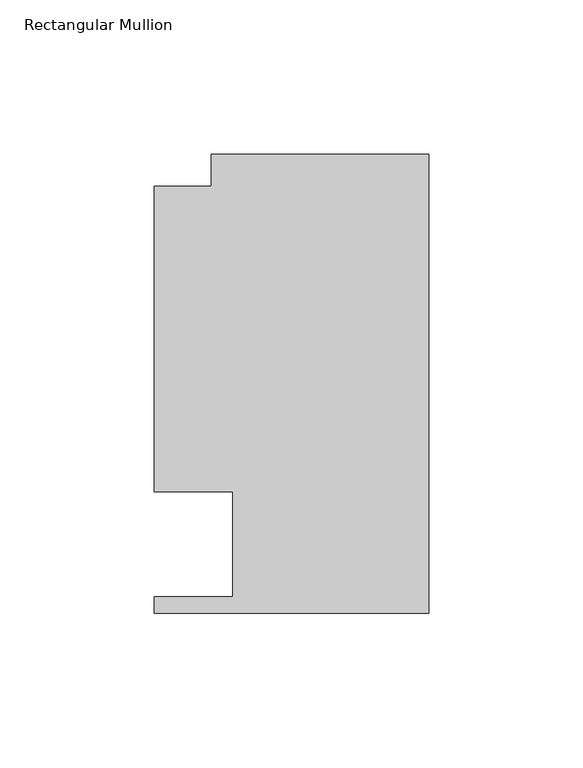
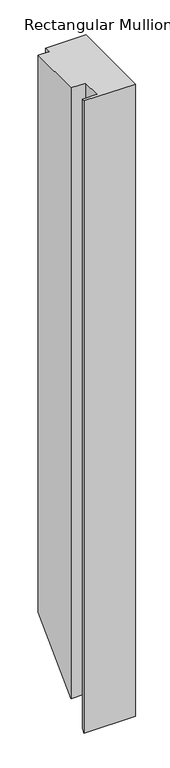
"""IFC4 building model written with IfcOpenShell, lengths in millimetres: member geometry, Rectangular Mullion."""

from ifc_helpers import new_model, si_unit, origin, place, context, project, spatial, faceted_brep, source, transform, mapped, element, save


def rectangular_mullion_9f30559e(model_context):
    return source(origin(), model_context, "Body", "Brep", [
        faceted_brep([(0.0, 148.737016, 0.0), (-70.3924898, 148.737016, 0.0), (-70.3924898, 138.3230199, 0.0), (-88.9090899, 138.3230199, 0.0), (-88.9090899, 39.3898438, 0.0), (-63.5090899, 39.3898438, 0.0), (-63.5090899, 5.3538437, 0.0), (-88.9090899, 5.3538437, 0.0), (-88.9090899, 0.0198437, 0.0), (0.0, 0.0198437, 0.0), (0.0, 148.737016, -1012.3168277), (-70.3924898, 148.737016, -1012.3168277), (-70.3924898, 138.3230199, -1022.7308238), (-88.9090899, 138.3230199, -1022.7308238), (-88.9090899, 39.3898438, -1121.664), (-63.5090899, 39.3898438, -1121.664), (-63.5090899, 5.3538437, -1155.7), (-88.9090899, 5.3538437, -1155.7), (-88.9090899, 0.0198437, -1161.034), (0.0, 0.0198437, -1161.034)], [[[0, 1, 2, 3, 4, 5, 6, 7, 8, 9]], [[1, 0, 10, 11]], [[2, 1, 11, 12]], [[3, 2, 12, 13]], [[4, 3, 13, 14]], [[5, 4, 14, 15]], [[6, 5, 15, 16]], [[7, 6, 16, 17]], [[8, 7, 17, 18]], [[9, 8, 18, 19]], [[0, 9, 19, 10]], [[10, 19, 18, 17, 16, 15, 14, 13, 12, 11]]]),
    ])


if __name__ == "__main__":
    model = new_model("IFC4")
    model_context = context("Model", 3, world=origin())
    ifc_project = project(units=[si_unit("LENGTHUNIT", "METRE", prefix="MILLI")], contexts=[model_context])
    site = spatial("IfcSite", under=ifc_project)
    building = spatial("IfcBuilding", under=site)
    placement = place(None, origin())
    rectangular_mullion_shape = rectangular_mullion_9f30559e(model_context)
    element("IfcMember", 1, ObjectType="Rectangular Mullion", at=placement, inside=building, context=model_context, shape_type="MappedRepresentation", body=[
        mapped(rectangular_mullion_shape, transform((0.0, 0.0, 0.0), x_axis=(1.0, 0.0, 0.0), y_axis=(0.0, 1.0, 0.0), z_axis=(0.0, 0.0, 1.0))),
    ])
    save(model, "model.ifc")
